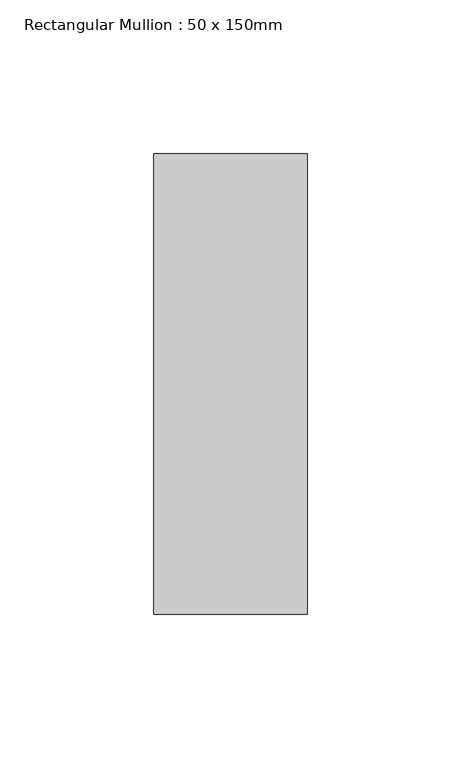
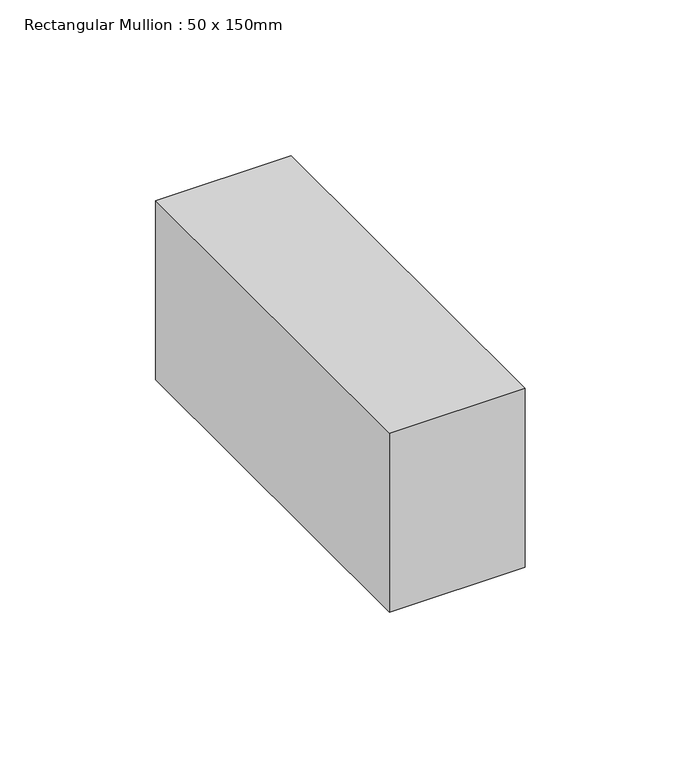
"""IFC4 building model written with IfcOpenShell, lengths in millimetres: member geometry, Rectangular Mullion : 50 x 150mm."""

from ifc_helpers import new_model, si_unit, frame, origin, place, context, project, spatial, polyline, outline, extrude, source, transform, mapped, element, save


def rectangular_mullion_50_x_150mm_4d21f32f(model_context):
    return source(origin(), model_context, "Body", "SweptSolid", [
        extrude(outline(polyline([(0.0, 75.0), (0.0, -75.0), (-50.0, -75.0), (-50.0, 75.0), (0.0, 75.0)])), frame((0.0, 0.0, -70.0), z_axis=(0.0, 0.0, 1.0), x_axis=(1.0, 0.0, 0.0)), (0.0, 0.0, 1.0), 70.0),
    ])


if __name__ == "__main__":
    model = new_model("IFC4")
    model_context = context("Model", 3, world=origin())
    ifc_project = project(units=[si_unit("LENGTHUNIT", "METRE", prefix="MILLI")], contexts=[model_context])
    site = spatial("IfcSite", under=ifc_project)
    building = spatial("IfcBuilding", under=site)
    placement = place(None, origin())
    rectangular_mullion_50_x_150mm_shape = rectangular_mullion_50_x_150mm_4d21f32f(model_context)
    element("IfcMember", 1, ObjectType="Rectangular Mullion : 50 x 150mm", at=placement, inside=building, context=model_context, shape_type="MappedRepresentation", body=[
        mapped(rectangular_mullion_50_x_150mm_shape, transform((0.0, 0.0, 0.0), x_axis=(1.0, 0.0, 0.0), y_axis=(0.0, 1.0, 0.0), z_axis=(0.0, 0.0, 1.0))),
    ])
    save(model, "model.ifc")
